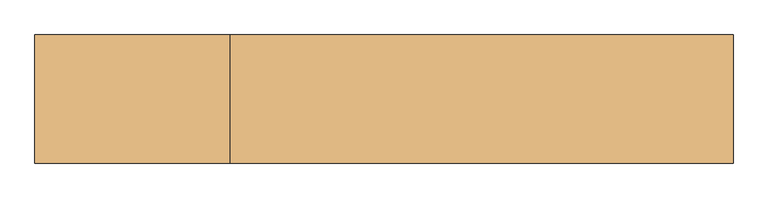
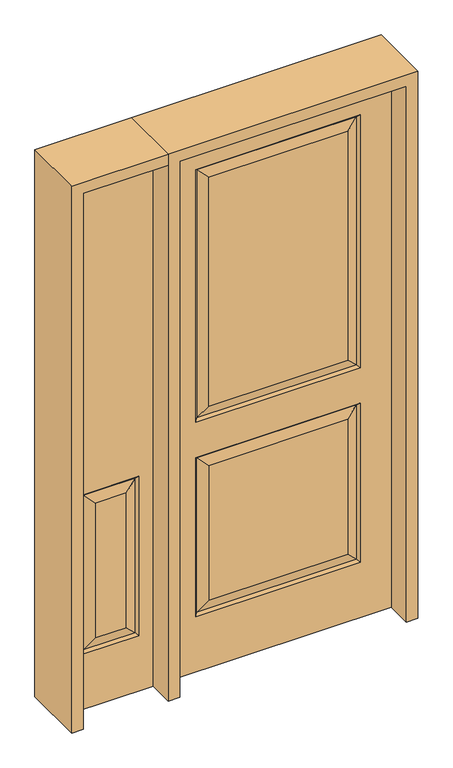
"""IFC4 building model written with IfcOpenShell, lengths in millimetres: door geometry."""

from ifc_helpers import new_model, si_unit, frame, origin, place, context, project, spatial, polyline, outline, extrude, faceted_brep, source, transform, mapped, element, save


def door_34942623(model_context):
    return source(origin(), model_context, "Body", "SolidModel", [
        faceted_brep([(-701.675, 20.6375, 209.55), (-692.6947439, 11.6572439, 218.5302561), (-507.4552561, 11.6572439, 218.5302561), (-498.475, 20.6375, 209.55), (-692.6947439, -11.6572439, 218.5302561), (-655.6375, -20.6375, 255.5875), (-655.6375, -20.6375, 766.7625), (-692.6947439, -11.6572439, 803.8197439), (-752.475, -20.6375, 2032.0), (-447.675, -20.6375, 2032.0), (-447.675, 20.6375, 2032.0), (-752.475, 20.6375, 2032.0), (-544.5125, -20.6375, 255.5875), (-507.4552561, -11.6572439, 218.5302561), (-507.4552561, -11.6572439, 803.8197439), (-544.5125, -20.6375, 766.7625), (-752.475, -20.6375, 0.0), (-447.675, -20.6375, 0.0), (-498.475, -20.6375, 209.55), (-701.675, -20.6375, 209.55), (-701.675, -20.6375, 812.8), (-498.475, -20.6375, 812.8), (-752.475, 20.6375, 0.0), (-447.675, 20.6375, 0.0), (-498.475, 20.6375, 812.8), (-701.675, 20.6375, 812.8), (-544.5125, 20.6375, 255.5875), (-655.6375, 20.6375, 255.5875), (-655.6375, 20.6375, 766.7625), (-544.5125, 20.6375, 766.7625), (-507.4552561, 11.6572439, 803.8197439), (-692.6947439, 11.6572439, 803.8197439)], [[[0, 1, 2, 3]], [[4, 5, 6, 7]], [[8, 9, 10, 11]], [[12, 13, 14, 15]], [[5, 12, 15, 6]], [[16, 17, 9, 8], [18, 19, 20, 21]], [[17, 16, 22, 23]], [[9, 17, 23, 10]], [[16, 8, 11, 22]], [[22, 11, 10, 23], [0, 3, 24, 25]], [[26, 27, 28, 29]], [[13, 4, 19, 18]], [[19, 4, 7, 20]], [[20, 7, 14, 21]], [[13, 18, 21, 14]], [[4, 13, 12, 5]], [[7, 6, 15, 14]], [[3, 2, 30, 24]], [[31, 25, 24, 30]], [[1, 0, 25, 31]], [[2, 1, 27, 26]], [[27, 1, 31, 28]], [[28, 31, 30, 29]], [[2, 26, 29, 30]]]),
        faceted_brep([(-286.2947439, -11.6572439, 218.5302561), (-249.2375, -20.6375, 255.5875), (-249.2375, -20.6375, 766.7625), (-286.2947439, -11.6572439, 803.8197439), (406.4, 20.6375, 0.0), (406.4, -20.6375, 0.0), (-406.4, -20.6375, 0.0), (-406.4, 20.6375, 0.0), (406.4, 20.6375, 2032.0), (406.4, -20.6375, 2032.0), (-249.2375, -20.6375, 992.1875), (249.2375, -20.6375, 992.1875), (249.2375, -20.6375, 1858.9625), (-249.2375, -20.6375, 1858.9625), (249.2375, -20.6375, 255.5875), (249.2375, -20.6375, 766.7625), (-406.4, -20.6375, 2032.0), (295.275, -20.6375, 946.15), (-295.275, -20.6375, 946.15), (-295.275, -20.6375, 1905.0), (295.275, -20.6375, 1905.0), (295.275, -20.6375, 209.55), (-295.275, -20.6375, 209.55), (-295.275, -20.6375, 812.8), (295.275, -20.6375, 812.8), (286.2947439, 11.6572439, 803.8197439), (-286.2947439, 11.6572439, 803.8197439), (-295.275, 20.6375, 812.8), (295.275, 20.6375, 812.8), (-286.2947439, 11.6572439, 218.5302561), (-295.275, 20.6375, 209.55), (286.2947439, 11.6572439, 218.5302561), (295.275, 20.6375, 209.55), (286.2947439, -11.6572439, 955.1302561), (-286.2947439, -11.6572439, 955.1302561), (-286.2947439, -11.6572439, 1896.0197439), (286.2947439, -11.6572439, 1896.0197439), (286.2947439, -11.6572439, 803.8197439), (-406.4, 20.6375, 2032.0), (-249.2375, 20.6375, 766.7625), (249.2375, 20.6375, 766.7625), (249.2375, 20.6375, 255.5875), (-249.2375, 20.6375, 255.5875), (-249.2375, 20.6375, 1858.9625), (249.2375, 20.6375, 1858.9625), (249.2375, 20.6375, 992.1875), (-249.2375, 20.6375, 992.1875), (295.275, 20.6375, 1905.0), (-295.275, 20.6375, 1905.0), (-295.275, 20.6375, 946.15), (295.275, 20.6375, 946.15), (-286.2947439, 11.6572439, 1896.0197439), (-286.2947439, 11.6572439, 955.1302561), (286.2947439, 11.6572439, 955.1302561), (286.2947439, 11.6572439, 1896.0197439), (286.2947439, -11.6572439, 218.5302561)], [[[0, 1, 2, 3]], [[4, 5, 6, 7]], [[8, 9, 5, 4]], [[10, 11, 12, 13]], [[1, 14, 15, 2]], [[9, 16, 6, 5], [17, 18, 19, 20], [21, 22, 23, 24]], [[25, 26, 27, 28]], [[27, 26, 29, 30]], [[30, 29, 31, 32]], [[33, 34, 18, 17]], [[18, 34, 35, 19]], [[33, 17, 20, 36]], [[34, 33, 11, 10]], [[23, 3, 37, 24]], [[3, 2, 15, 37]], [[16, 38, 7, 6]], [[39, 40, 41, 42]], [[43, 44, 45, 46]], [[38, 8, 4, 7], [28, 27, 30, 32], [47, 48, 49, 50]], [[48, 51, 52, 49]], [[49, 52, 53, 50]], [[54, 47, 50, 53]], [[44, 54, 53, 45]], [[52, 46, 45, 53]], [[51, 43, 46, 52]], [[25, 28, 32, 31]], [[26, 25, 40, 39]], [[40, 25, 31, 41]], [[29, 42, 41, 31]], [[26, 39, 42, 29]], [[11, 33, 36, 12]], [[34, 10, 13, 35]], [[55, 0, 22, 21]], [[22, 0, 3, 23]], [[55, 21, 24, 37]], [[0, 55, 14, 1]], [[14, 55, 37, 15]], [[8, 38, 16, 9]], [[19, 35, 36, 20]], [[35, 13, 12, 36]], [[54, 51, 48, 47]], [[51, 54, 44, 43]]]),
        extrude(outline(polyline([(2032.0, -447.675), (2073.275, -447.675), (2073.275, -793.75), (0.0, -793.75), (0.0, -752.475), (2032.0, -752.475), (2032.0, -447.675)])), frame((0.0, -114.3, 0.0), z_axis=(0.0, 1.0, 0.0), x_axis=(0.0, 0.0, 1.0)), (0.0, 0.0, 1.0), 228.6),
        extrude(outline(polyline([(2073.275, -447.675), (0.0, -447.675), (0.0, -406.4), (2032.0, -406.4), (2032.0, 406.4), (0.0, 406.4), (0.0, 447.675), (2073.275, 447.675), (2073.275, -447.675)])), frame((0.0, -114.3, 0.0), z_axis=(0.0, 1.0, 0.0), x_axis=(0.0, 0.0, 1.0)), (0.0, 0.0, 1.0), 228.6),
    ])


if __name__ == "__main__":
    model = new_model("IFC4")
    model_context = context("Model", 3, world=origin())
    ifc_project = project(units=[si_unit("LENGTHUNIT", "METRE", prefix="MILLI")], contexts=[model_context])
    site = spatial("IfcSite", under=ifc_project)
    building = spatial("IfcBuilding", under=site)
    placement = place(None, origin())
    door_shape = door_34942623(model_context)
    element("IfcDoor", 1, at=placement, inside=building, context=model_context, shape_type="MappedRepresentation", body=[
        mapped(door_shape, transform((0.0, 0.0, 0.0), x_axis=(1.0, 0.0, 0.0), y_axis=(0.0, 1.0, 0.0), z_axis=(0.0, 0.0, 1.0))),
    ])
    save(model, "model.ifc")
